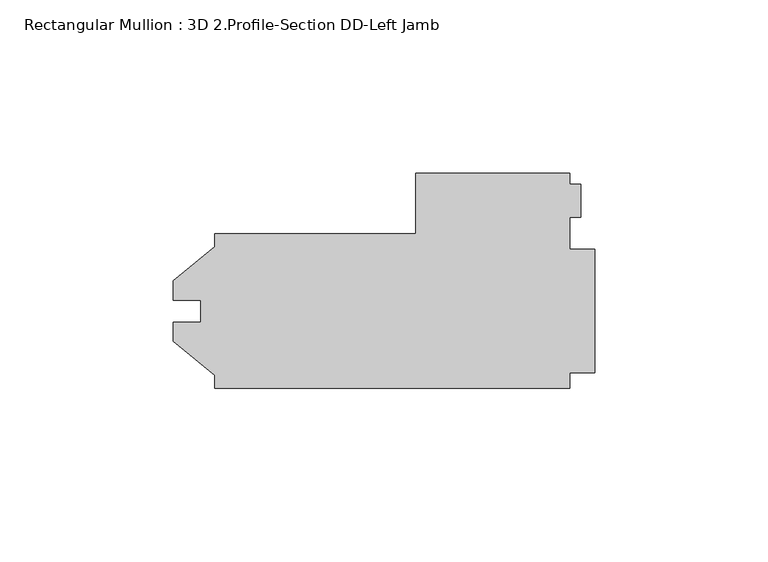
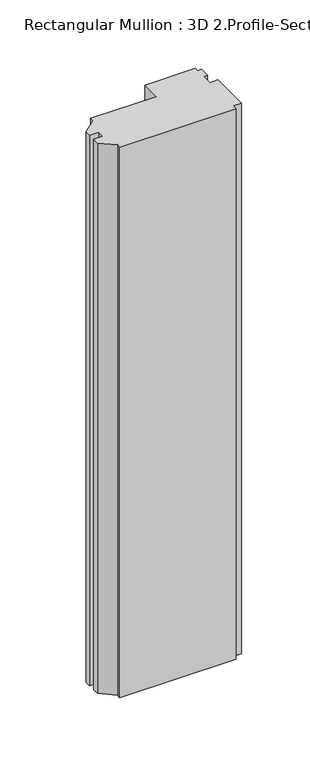
"""IFC4 building model written with IfcOpenShell, lengths in millimetres: member geometry, Rectangular Mullion : 3D 2.Profile-Section DD-Left Jamb."""

from ifc_helpers import new_model, si_unit, frame, origin, place, context, project, spatial, polyline, outline, extrude, source, transform, mapped, element, save


def rectangular_mullion_3d_2_profile_section_dd_left_jamb_c9248ca7(model_context):
    return source(origin(), model_context, "Body", "SweptSolid", [
        extrude(outline(polyline([(-109.5248, -22.2123), (-109.5248, -18.506136), (-121.43105, -8.7376), (-121.43105, -3.1623), (-113.4872, -3.1623), (-113.4872, 3.1877), (-121.43105, 3.1877), (-121.43105, 8.763), (-109.5248, 18.531536), (-109.5248, 22.2377), (-51.5874, 22.2377), (-51.5874, 39.6875), (-7.1924372, 39.6875), (-7.1924372, 36.5125), (-3.9624, 36.5125), (-3.9624, 26.9956909), (-7.1374, 26.9956909), (-7.1374, 17.872075), (0.0, 17.872075), (0.0, -17.846675), (-7.1374, -17.846675), (-7.1374, -22.2123), (-109.5248, -22.2123)])), frame((0.0, 0.0, -511.18135), z_axis=(0.0, 0.0, 1.0), x_axis=(1.0, 0.0, 0.0)), (0.0, 0.0, 1.0), 511.18135),
    ])


if __name__ == "__main__":
    model = new_model("IFC4")
    model_context = context("Model", 3, world=origin())
    ifc_project = project(units=[si_unit("LENGTHUNIT", "METRE", prefix="MILLI")], contexts=[model_context])
    site = spatial("IfcSite", under=ifc_project)
    building = spatial("IfcBuilding", under=site)
    placement = place(None, origin())
    rectangular_mullion_3d_2_profile_section_dd_left_jamb_shape = rectangular_mullion_3d_2_profile_section_dd_left_jamb_c9248ca7(model_context)
    element("IfcMember", 1, ObjectType="Rectangular Mullion : 3D 2.Profile-Section DD-Left Jamb", at=placement, inside=building, context=model_context, shape_type="MappedRepresentation", body=[
        mapped(rectangular_mullion_3d_2_profile_section_dd_left_jamb_shape, transform((0.0, 0.0, 0.0), x_axis=(1.0, 0.0, 0.0), y_axis=(0.0, 1.0, 0.0), z_axis=(0.0, 0.0, 1.0))),
    ])
    save(model, "model.ifc")
